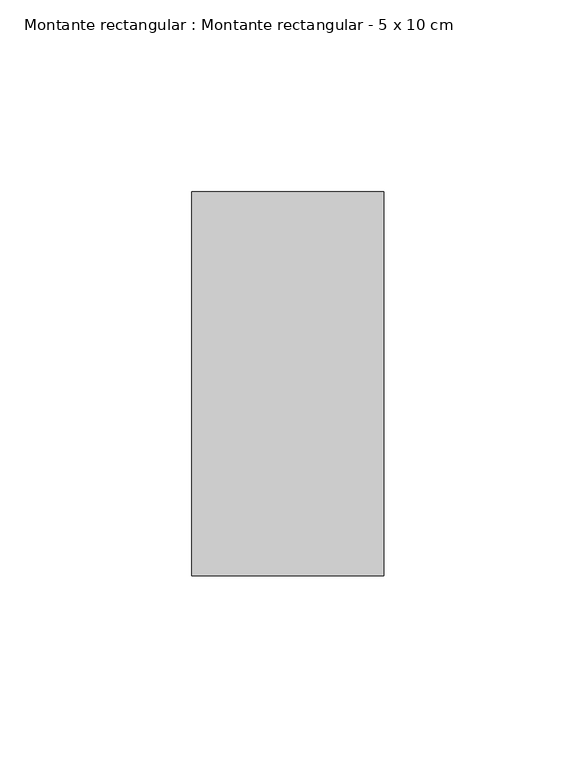
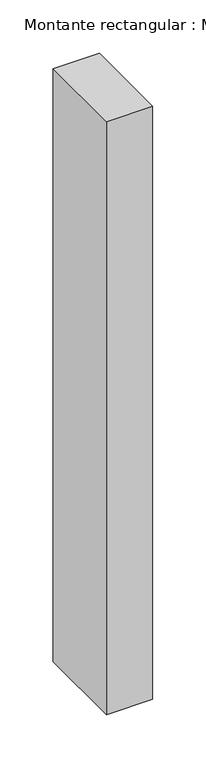
"""IFC4 building model written with IfcOpenShell, lengths in millimetres: member geometry, Montante rectangular : Montante rectangular - 5 x 10 cm."""

from ifc_helpers import new_model, si_unit, frame, origin, place, context, project, spatial, polyline, outline, extrude, source, transform, mapped, element, save


def montante_rectangular_montante_rectangular_5_x_10_cm_c44ce23a(model_context):
    return source(origin(), model_context, "Body", "SweptSolid", [
        extrude(outline(polyline([(0.0, 50.0), (0.0, -50.0), (-50.0, -50.0), (-50.0, 50.0), (0.0, 50.0)])), frame((0.0, 0.0, -678.7378502), z_axis=(0.0, 0.0, 1.0), x_axis=(1.0, 0.0, 0.0)), (0.0, 0.0, 1.0), 678.7378502),
    ])


if __name__ == "__main__":
    model = new_model("IFC4")
    model_context = context("Model", 3, world=origin())
    ifc_project = project(units=[si_unit("LENGTHUNIT", "METRE", prefix="MILLI")], contexts=[model_context])
    site = spatial("IfcSite", under=ifc_project)
    building = spatial("IfcBuilding", under=site)
    placement = place(None, origin())
    montante_rectangular_montante_rectangular_5_x_10_cm_shape = montante_rectangular_montante_rectangular_5_x_10_cm_c44ce23a(model_context)
    element("IfcMember", 1, ObjectType="Montante rectangular : Montante rectangular - 5 x 10 cm", at=placement, inside=building, context=model_context, shape_type="MappedRepresentation", body=[
        mapped(montante_rectangular_montante_rectangular_5_x_10_cm_shape, transform((0.0, 0.0, 0.0), x_axis=(1.0, 0.0, 0.0), y_axis=(0.0, 1.0, 0.0), z_axis=(0.0, 0.0, 1.0))),
    ])
    save(model, "model.ifc")
